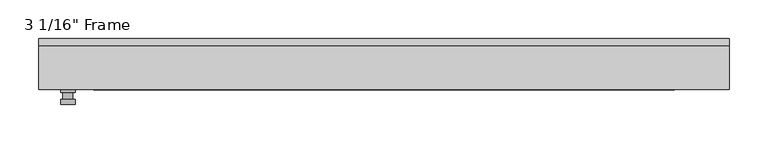
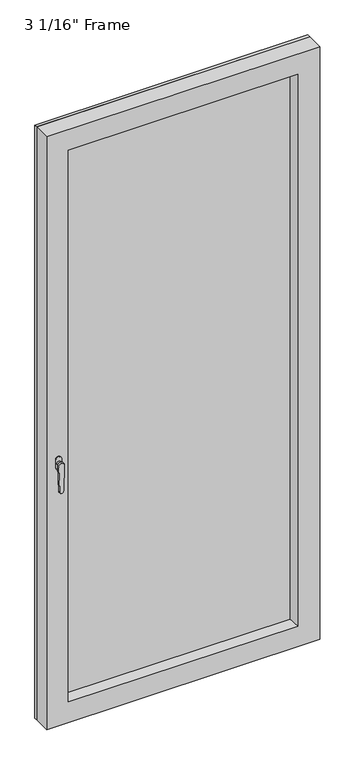
"""IFC4 building model written with IfcOpenShell, lengths in millimetres: plate geometry."""

from ifc_helpers import new_model, si_unit, frame, origin, place, context, project, spatial, polyline, circle_curve, outline, extrude, faceted_brep, source, transform, mapped, element, save
from ifc_brep_helpers import plane_surface, cylinder_surface, advanced_brep


def plate_c7ac77ef(model_context):
    return source(origin(), model_context, "Body", "SolidModel", [
        advanced_brep(
        [(-400.685, -33.3375, 927.1), (-400.685, -33.3375, 901.7), (-419.735, -33.3375, 901.7), (-419.735, -33.3375, 927.1), (-403.86, -46.0375, 914.4), (-416.56, -46.0375, 914.4), (-416.56, -36.5125, 914.4), (-403.86, -36.5125, 914.4), (-400.685, -46.0375, 914.4), (-403.8640356, -46.0375, 825.2736467), (-416.5559644, -46.0375, 825.2736467), (-419.735, -46.0375, 914.4), (-400.685, -52.3875, 914.4), (-419.735, -52.3875, 914.4), (-416.5559644, -52.3875, 825.2736467), (-403.8640356, -52.3875, 825.2736467), (-400.685, -36.5125, 927.1), (-419.735, -36.5125, 927.1), (-419.735, -36.5125, 901.7), (-400.685, -36.5125, 901.7)],
        [
            (0, 1),
            (1, 2, circle_curve(frame((-410.21, -33.3375, 901.7), z_axis=(0.0, 1.0, 0.0), x_axis=(-1.0, 0.0, 0.0)), 9.525)),
            (2, 3),
            (3, 0, circle_curve(frame((-410.21, -33.3375, 927.1), z_axis=(0.0, 1.0, 0.0), x_axis=(-1.0, 0.0, 0.0)), 9.525)),
            (4, 5, circle_curve(frame((-410.21, -46.0375, 914.4), z_axis=(0.0, 1.0, 0.0), x_axis=(-1.0, 0.0, 0.0)), 6.35)),
            (5, 6),
            (6, 7, circle_curve(frame((-410.21, -36.5125, 914.4), z_axis=(0.0, -1.0, 0.0), x_axis=(-1.0, 0.0, 0.0)), 6.35)),
            (7, 4),
            (5, 4, circle_curve(frame((-410.21, -46.0375, 914.4), z_axis=(0.0, 1.0, 0.0), x_axis=(-1.0, 0.0, 0.0)), 6.35)),
            (7, 6, circle_curve(frame((-410.21, -36.5125, 914.4), z_axis=(0.0, -1.0, 0.0), x_axis=(-1.0, 0.0, 0.0)), 6.35)),
            (8, 9),
            (9, 10, circle_curve(frame((-410.21, -46.0375, 825.5), z_axis=(0.0, 1.0, 0.0), x_axis=(-1.0, 0.0, 0.0)), 6.35)),
            (10, 11),
            (11, 8, circle_curve(frame((-410.21, -46.0375, 914.4), z_axis=(0.0, 1.0, 0.0), x_axis=(-1.0, 0.0, 0.0)), 9.525)),
            (12, 13, circle_curve(frame((-410.21, -52.3875, 914.4), z_axis=(0.0, -1.0, 0.0), x_axis=(-1.0, 0.0, 0.0)), 9.525)),
            (13, 14),
            (14, 15, circle_curve(frame((-410.21, -52.3875, 825.5), z_axis=(0.0, -1.0, 0.0), x_axis=(-1.0, 0.0, 0.0)), 6.35)),
            (15, 12),
            (8, 12),
            (15, 9),
            (14, 10),
            (13, 11),
            (16, 17, circle_curve(frame((-410.21, -36.5125, 927.1), z_axis=(0.0, -1.0, 0.0), x_axis=(-1.0, 0.0, 0.0)), 9.525)),
            (17, 18),
            (18, 19, circle_curve(frame((-410.21, -36.5125, 901.7), z_axis=(0.0, -1.0, 0.0), x_axis=(-1.0, 0.0, 0.0)), 9.525)),
            (19, 16),
            (0, 16),
            (19, 1),
            (18, 2),
            (17, 3),
        ],
        [
            plane_surface(frame((-416.56, -33.3375, 914.4), z_axis=(0.0, 1.0, 0.0), x_axis=(0.0, 0.0, 1.0))),
            cylinder_surface(frame((-410.21, -46.0375, 914.4), z_axis=(0.0, 1.0, 0.0), x_axis=(-1.0, 0.0, 0.0)), 6.35),
            plane_surface(frame((-400.685, -46.0375, 914.4), z_axis=(0.0, 1.0000000000000002, 0.0), x_axis=(-0.03564619348186888, 0.0, -0.9993644724975235))),
            plane_surface(frame((-400.685, -52.3875, 914.4), z_axis=(0.0, -1.0000000000000002, 0.0), x_axis=(0.03564619348186888, 0.0, 0.9993644724975235))),
            plane_surface(frame((-400.685, -46.0375, 914.4), z_axis=(0.9993644724975235, 0.0, -0.03564619348186888), x_axis=(0.0, -1.0, 0.0))),
            cylinder_surface(frame((-410.21, -52.3875, 825.5), z_axis=(0.0, 1.0, 0.0), x_axis=(-1.0, 0.0, 0.0)), 6.35),
            plane_surface(frame((-416.5559644, -46.0375, 825.2736467), z_axis=(-0.9993644724975228, 0.0, -0.03564619348188612), x_axis=(0.0, -1.0, 0.0))),
            cylinder_surface(frame((-410.21, -52.3875, 914.4), z_axis=(0.0, 1.0, 0.0), x_axis=(-1.0, 0.0, 0.0)), 9.525),
            plane_surface(frame((-400.685, -36.5125, 901.7), z_axis=(0.0, -1.0, 0.0), x_axis=(0.0, 0.0, 1.0))),
            plane_surface(frame((-400.685, -33.3375, 927.1), z_axis=(1.0, 0.0, 0.0), x_axis=(0.0, -1.0, 0.0))),
            cylinder_surface(frame((-410.21, -36.5125, 901.7), z_axis=(0.0, 1.0, 0.0), x_axis=(-1.0, 0.0, 0.0)), 9.525),
            plane_surface(frame((-419.735, -33.3375, 901.7), z_axis=(-1.0, 0.0, 0.0), x_axis=(0.0, -1.0, 0.0))),
            cylinder_surface(frame((-410.21, -36.5125, 927.1), z_axis=(0.0, 1.0, 0.0), x_axis=(-1.0, 0.0, 0.0)), 9.525),
        ],
        [
            (0, [[1, 2, 3, 4]]),
            (1, [[5, 6, 7, 8]]),
            (1, [[9, -8, 10, -6]]),
            (2, [[11, 12, 13, 14], [-5, -9]]),
            (3, [[15, 16, 17, 18]]),
            (4, [[-11, 19, -18, 20]]),
            (5, [[-12, -20, -17, 21]]),
            (6, [[-13, -21, -16, 22]]),
            (7, [[-14, -22, -15, -19]]),
            (8, [[23, 24, 25, 26], [-7, -10]]),
            (9, [[-1, 27, -26, 28]]),
            (10, [[-2, -28, -25, 29]]),
            (11, [[-3, -29, -24, 30]]),
            (12, [[-4, -30, -23, -27]]),
        ],
    ),
        extrude(outline(polyline([(0.0, -448.31), (0.0, 448.31), (2058.9875, 448.31), (2058.9875, -448.31), (0.0, -448.31)]), holes=[polyline([(1981.2, -370.5225), (1981.2, 370.5225), (77.7875, 370.5225), (77.7875, -370.5225), (1981.2, -370.5225)])]), frame((0.0, 23.8125, 0.0), z_axis=(0.0, 1.0, 0.0), x_axis=(0.0, 0.0, 1.0)), (0.0, 0.0, 1.0), 9.525),
        faceted_brep([(-448.31, -33.3375, 0.0), (-448.31, 23.8125, 0.0), (448.31, 23.8125, 0.0), (448.31, -33.3375, 0.0), (-448.31, -33.3375, 2058.9875), (-448.31, 23.8125, 2058.9875), (448.31, 23.8125, 2058.9875), (-383.2225, 23.8125, 1993.9), (-383.2225, 23.8125, 65.0875), (383.2225, 23.8125, 65.0875), (383.2225, 23.8125, 1993.9), (-383.2225, 0.0, 1993.9), (-383.2225, 0.0, 65.0875), (383.2225, 0.0, 1993.9), (383.2225, 0.0, 65.0875), (-370.5225, 0.0, 1981.2), (-370.5225, 0.0, 77.7875), (370.5225, 0.0, 77.7875), (370.5225, 0.0, 1981.2), (-376.8725, -33.3375, 1987.55), (-376.8725, -33.3375, 71.4375), (448.31, -33.3375, 2058.9875), (376.8725, -33.3375, 1987.55), (376.8725, -33.3375, 71.4375)], [[[0, 1, 2, 3]], [[1, 0, 4, 5]], [[2, 1, 5, 6], [7, 8, 9, 10]], [[7, 11, 12, 8]], [[11, 13, 14, 12], [15, 16, 17, 18]], [[15, 19, 20, 16]], [[4, 0, 3, 21], [22, 23, 20, 19]], [[5, 4, 21, 6]], [[7, 10, 13, 11]], [[15, 18, 22, 19]], [[2, 6, 21, 3]], [[14, 13, 10, 9]], [[22, 18, 17, 23]], [[20, 23, 17, 16]], [[9, 8, 12, 14]]]),
        extrude(outline(polyline([(383.2225, 0.0), (-383.2225, 0.0), (-383.2225, 23.8125), (383.2225, 23.8125), (383.2225, 0.0)])), frame((0.0, 0.0, 65.0875), z_axis=(0.0, 0.0, 1.0), x_axis=(1.0, 0.0, 0.0)), (0.0, 0.0, 1.0), 1928.8125),
    ])


if __name__ == "__main__":
    model = new_model("IFC4")
    model_context = context("Model", 3, world=origin())
    ifc_project = project(units=[si_unit("LENGTHUNIT", "METRE", prefix="MILLI")], contexts=[model_context])
    site = spatial("IfcSite", under=ifc_project)
    building = spatial("IfcBuilding", under=site)
    placement = place(None, origin())
    plate_shape = plate_c7ac77ef(model_context)
    element("IfcPlate", 1, ObjectType="3 1/16\" Frame", at=placement, inside=building, context=model_context, shape_type="MappedRepresentation", body=[
        mapped(plate_shape, transform((0.0, 0.0, 0.0), x_axis=(1.0, 0.0, 0.0), y_axis=(0.0, 1.0, 0.0), z_axis=(0.0, 0.0, 1.0))),
    ])
    save(model, "model.ifc")
